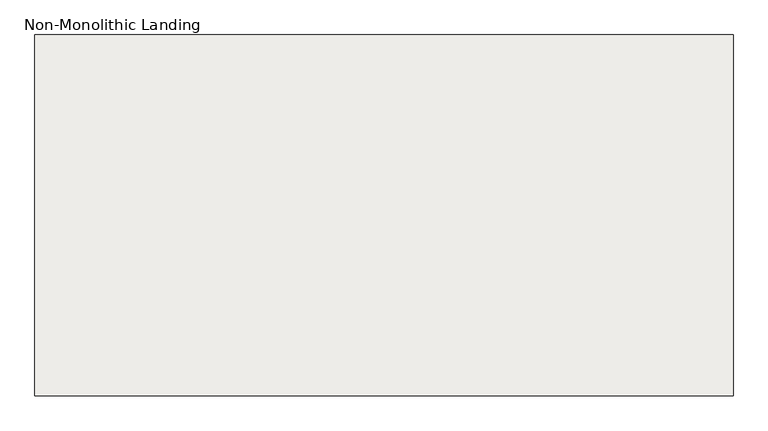
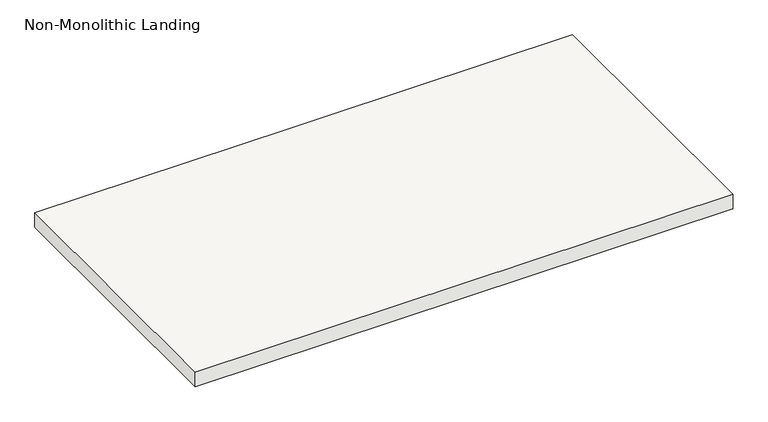
"""IFC4 building model written with IfcOpenShell, lengths in millimetres: slab geometry, Non-Monolithic Landing."""

from ifc_helpers import new_model, si_unit, frame, origin, place, context, project, spatial, polyline, outline, extrude, source, transform, mapped, element, save


def non_monolithic_landing_1b44af05(model_context):
    return source(origin(), model_context, "Body", "SweptSolid", [
        extrude(outline(polyline([(1349.1790884, 3031.4785253), (1349.1790884, 2121.4785253), (-410.8209116, 2121.4785253), (-410.8209116, 3031.4785253), (432.2200888, 3031.4785253), (539.1790884, 3031.4785253), (1349.1790884, 3031.4785253)])), frame((0.0, 0.0, 1795.7142857), z_axis=(0.0, 0.0, 1.0), x_axis=(1.0, 0.0, 0.0)), (0.0, 0.0, 1.0), 50.0),
    ])


if __name__ == "__main__":
    model = new_model("IFC4")
    model_context = context("Model", 3, world=origin())
    ifc_project = project(units=[si_unit("LENGTHUNIT", "METRE", prefix="MILLI")], contexts=[model_context])
    site = spatial("IfcSite", under=ifc_project)
    building = spatial("IfcBuilding", under=site)
    placement = place(None, origin())
    non_monolithic_landing_shape = non_monolithic_landing_1b44af05(model_context)
    element("IfcSlab", 1, ObjectType="Non-Monolithic Landing", at=placement, inside=building, context=model_context, shape_type="MappedRepresentation", body=[
        mapped(non_monolithic_landing_shape, transform((0.0, 0.0, 0.0), x_axis=(1.0, 0.0, 0.0), y_axis=(0.0, 1.0, 0.0), z_axis=(0.0, 0.0, 1.0))),
    ])
    save(model, "model.ifc")
